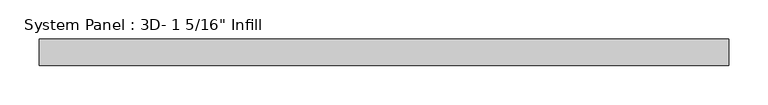
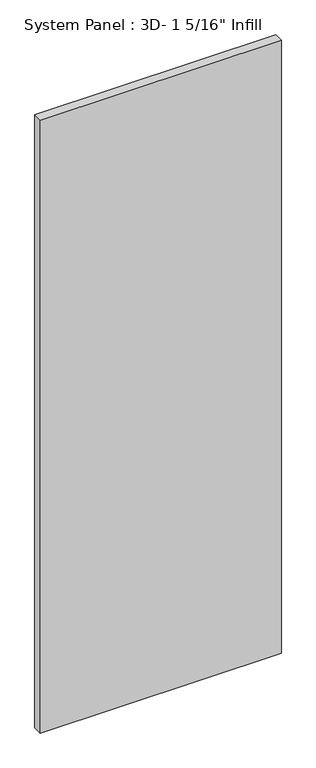
"""IFC4 building model written with IfcOpenShell, lengths in millimetres: plate geometry."""

from ifc_helpers import new_model, si_unit, origin, origin_with_axes, place, context, project, spatial, polyline, outline, extrude, source, transform, mapped, element, save


def plate_4af88592(model_context):
    return source(origin(), model_context, "Body", "SweptSolid", [
        extrude(outline(polyline([(438.1038418, -16.66875), (-438.1038418, -16.66875), (-438.1038418, 16.66875), (438.1038418, 16.66875), (438.1038418, -16.66875)])), origin_with_axes(), (0.0, 0.0, 1.0), 2352.6701083),
    ])


if __name__ == "__main__":
    model = new_model("IFC4")
    model_context = context("Model", 3, world=origin())
    ifc_project = project(units=[si_unit("LENGTHUNIT", "METRE", prefix="MILLI")], contexts=[model_context])
    site = spatial("IfcSite", under=ifc_project)
    building = spatial("IfcBuilding", under=site)
    placement = place(None, origin())
    plate_shape = plate_4af88592(model_context)
    element("IfcPlate", 1, ObjectType="System Panel : 3D- 1 5/16\" Infill", at=placement, inside=building, context=model_context, shape_type="MappedRepresentation", body=[
        mapped(plate_shape, transform((0.0, 0.0, 0.0), x_axis=(1.0, 0.0, 0.0), y_axis=(0.0, 1.0, 0.0), z_axis=(0.0, 0.0, 1.0))),
    ])
    save(model, "model.ifc")
